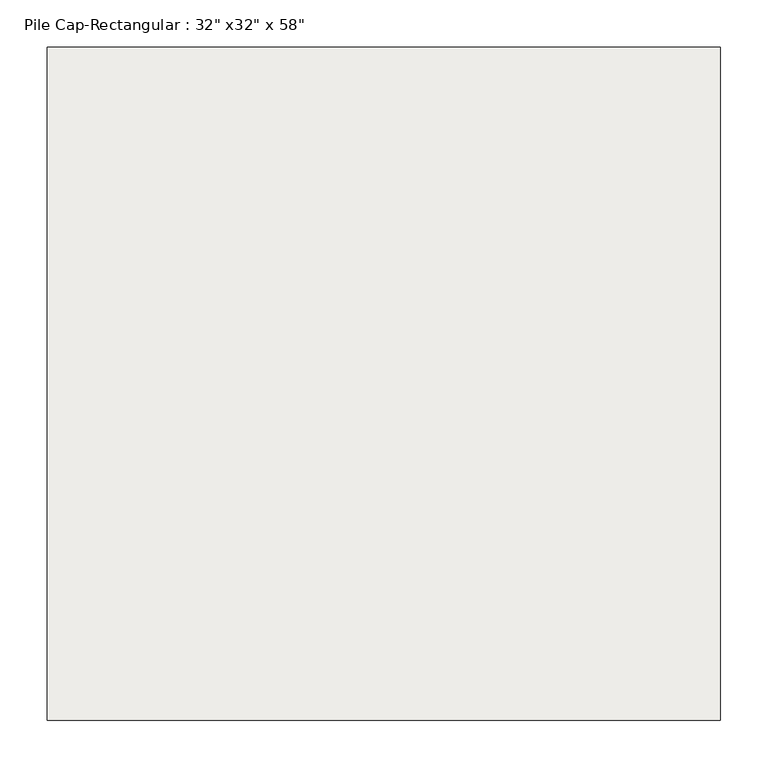
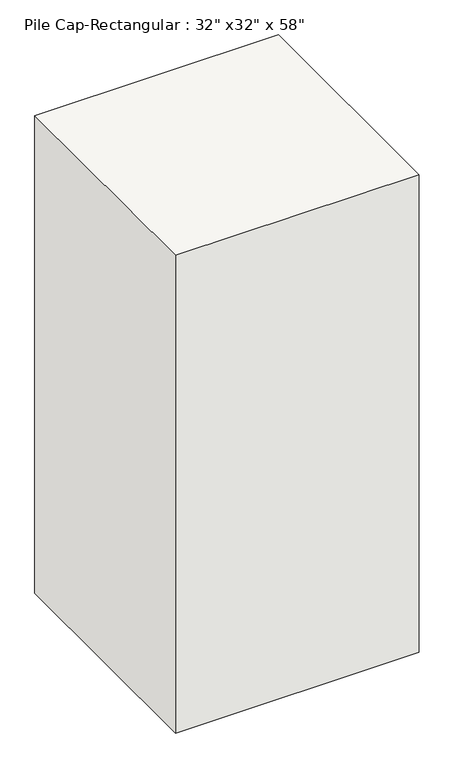
"""IFC4 building model written with IfcOpenShell, lengths in millimetres: slab geometry."""

import ifcopenshell
import ifcopenshell.guid

model = None  # the IFC model being written
_history = None  # IfcOwnerHistory: only IFC2X3 demands one
_inside = {}  # id of a spatial element -> (the spatial element, [elements in it])
_under = {}  # id of a project, library or spatial element -> (it, [spatial elements below it])
_declared = {}  # id of a project -> (the project, [libraries it declares])
_typed = {}  # id of a type object -> (the type object, [elements of that type])
_made_of = {}  # id of a material, layer set ... -> (it, [elements and type objects made of it])


def new_model(schema):
    """Start an empty IFC model of exactly this schema.

    Asked for "IFC4X3", IfcOpenShell would pick the latest addendum, in which some entities
    have other attributes; the version numbers below select the first issue.
    IFC2X3 requires an IfcOwnerHistory on every rooted entity: one is made here for all.
    """
    global model, _history
    if schema == "IFC4X3":
        model = ifcopenshell.file(schema_version=(4, 3, 0, 0))
    else:
        model = ifcopenshell.file(schema=schema)
    _inside.clear()
    _under.clear()
    _declared.clear()
    _typed.clear()
    _made_of.clear()
    _history = None
    if model.schema == "IFC2X3":
        org = make("IfcOrganization", Name="unknown")
        user = make(
            "IfcPersonAndOrganization",
            ThePerson=make("IfcPerson", FamilyName="unknown"),
            TheOrganization=org,
        )
        app = make(
            "IfcApplication",
            ApplicationDeveloper=org,
            Version="unknown",
            ApplicationFullName="unknown",
            ApplicationIdentifier="unknown",
        )
        _history = make(
            "IfcOwnerHistory",
            OwningUser=user,
            OwningApplication=app,
            ChangeAction="ADDED",
            CreationDate=0,
        )
    return model


def make(cls, **values):
    """One entity of the class cls with the attributes given. An attribute that is None is left unset."""
    return model.create_entity(
        cls, **{name: value for name, value in values.items() if value is not None}
    )


def rooted(cls, **values):
    """An entity with a GlobalId (a new one), such as an element, a storey or a relation."""
    return make(cls, GlobalId=ifcopenshell.guid.new(), OwnerHistory=_history, **values)


def si_unit(unit_type, name, prefix=None):
    """IfcSIUnit, for example si_unit("LENGTHUNIT", "METRE", prefix="MILLI")."""
    return make("IfcSIUnit", UnitType=unit_type, Prefix=prefix, Name=name)


def assignment(units):
    """IfcUnitAssignment: the units of a project."""
    return None if units is None else make("IfcUnitAssignment", Units=units)


def point(xyz):
    """IfcCartesianPoint."""
    return None if xyz is None else make("IfcCartesianPoint", Coordinates=xyz)


def direction(xyz):
    """IfcDirection."""
    return None if xyz is None else make("IfcDirection", DirectionRatios=xyz)


def frame(location, z_axis=None, x_axis=None):
    """IfcAxis2Placement3D, a coordinate frame: its origin and axes. An axis left out is left unset."""
    return make(
        "IfcAxis2Placement3D",
        Location=point(location),
        Axis=direction(z_axis),
        RefDirection=direction(x_axis),
    )


def origin():
    """The frame at (0, 0, 0) with its axes left unset."""
    return frame((0.0, 0.0, 0.0))


def place(relative_to, where):
    """IfcLocalPlacement: puts the frame where relative to a parent placement (None: the world)."""
    return make(
        "IfcLocalPlacement", PlacementRelTo=relative_to, RelativePlacement=where
    )


def context(
    kind, dimensions, precision=None, world=None, true_north=None, identifier=None
):
    """IfcGeometricRepresentationContext, for example the 3D "Model" context."""
    return make(
        "IfcGeometricRepresentationContext",
        ContextIdentifier=identifier,
        ContextType=kind,
        CoordinateSpaceDimension=dimensions,
        Precision=precision,
        WorldCoordinateSystem=world,
        TrueNorth=true_north,
    )


def project(units=None, contexts=None):
    """IfcProject with its units and contexts."""
    return rooted(
        "IfcProject",
        Name="project",
        RepresentationContexts=contexts,
        UnitsInContext=assignment(units),
    )


def spatial(cls, under=None, at=None, **own):
    """A site, building, storey or space (cls), placed at a placement, below another one or the project."""
    s = rooted(cls, ObjectPlacement=at, **own)
    if under is not None:
        _under.setdefault(under.id(), (under, []))[1].append(s)
    return s


def polyline(points):
    """IfcPolyline through the points."""
    return make("IfcPolyline", Points=[point(p) for p in points])


def outline(outer, holes=None, kind="AREA"):
    """IfcArbitraryClosedProfileDef: a profile drawn as a closed curve; with holes, ...WithVoids."""
    if holes is None:
        return make("IfcArbitraryClosedProfileDef", ProfileType=kind, OuterCurve=outer)
    return make(
        "IfcArbitraryProfileDefWithVoids",
        ProfileType=kind,
        OuterCurve=outer,
        InnerCurves=holes,
    )


def extrude(swept, where, along, depth):
    """IfcExtrudedAreaSolid: the profile swept, set in the frame where, extruded along a direction by depth."""
    return make(
        "IfcExtrudedAreaSolid",
        SweptArea=swept,
        Position=where,
        ExtrudedDirection=direction(along),
        Depth=depth,
    )


def shape(context_of_items, identifier, shape_type, items):
    """IfcShapeRepresentation: the items that make up one representation, for example the "Body"."""
    return make(
        "IfcShapeRepresentation",
        ContextOfItems=context_of_items,
        RepresentationIdentifier=identifier,
        RepresentationType=shape_type,
        Items=items,
    )


def source(mapping_origin, context_of_items, identifier, shape_type, items):
    """IfcRepresentationMap: a shape defined once, which mapped items show again and again."""
    return make(
        "IfcRepresentationMap",
        MappingOrigin=mapping_origin,
        MappedRepresentation=shape(context_of_items, identifier, shape_type, items),
    )


def transform(
    local_origin,
    x_axis=None,
    y_axis=None,
    z_axis=None,
    scale=None,
    scale2=None,
    scale3=None,
    uniform=True,
):
    """IfcCartesianTransformationOperator3D, or its non-uniform kind. x_axis, y_axis, z_axis: its Axis1, 2, 3."""
    if uniform:
        return make(
            "IfcCartesianTransformationOperator3D",
            Axis1=direction(x_axis),
            Axis2=direction(y_axis),
            LocalOrigin=point(local_origin),
            Scale=scale,
            Axis3=direction(z_axis),
        )
    return make(
        "IfcCartesianTransformationOperator3DnonUniform",
        Axis1=direction(x_axis),
        Axis2=direction(y_axis),
        LocalOrigin=point(local_origin),
        Scale=scale,
        Axis3=direction(z_axis),
        Scale2=scale2,
        Scale3=scale3,
    )


def mapped(mapping_source, mapping_target):
    """IfcMappedItem: shows the shape of a source again, moved by a transform."""
    return make(
        "IfcMappedItem", MappingSource=mapping_source, MappingTarget=mapping_target
    )


def made_of(thing, what):
    """Note that an element or type object is made of a material, layer set ...; save() writes the relation."""
    if what is not None:
        _made_of.setdefault(what.id(), (what, []))[1].append(thing)
    return thing


def element(
    cls,
    number,
    at=None,
    inside=None,
    cuts=None,
    type_object=None,
    material=None,
    context=None,
    identifier="Body",
    shape_type=None,
    held_by="IfcProductDefinitionShape",
    body=None,
    shapes=None,
    **own,
):
    """One element of the class cls, such as IfcWall. Its Tag is "e" and its number.

    at: its placement. inside: the storey or other place that contains it. cuts: it is an
    opening in that element (IfcRelVoidsElement). A single representation is given by context,
    identifier, shape_type and body (its items); several are given by shapes. held_by: the class
    of the entity that holds the representations. save() writes the other relations.
    """
    e = rooted(cls, Tag="e%d" % number, ObjectPlacement=at, **own)
    if body is not None:
        shapes = [shape(context, identifier, shape_type, body)]
    if shapes is not None:
        e.Representation = make(held_by, Representations=shapes)
    if inside is not None:
        _inside.setdefault(inside.id(), (inside, []))[1].append(e)
    if cuts is not None:
        rooted(
            "IfcRelVoidsElement", RelatingBuildingElement=cuts, RelatedOpeningElement=e
        )
    if type_object is not None:
        _typed.setdefault(type_object.id(), (type_object, []))[1].append(e)
    return made_of(e, material)


def aggregate(whole, parts):
    """IfcRelAggregates: a whole, such as a stair, and the parts it consists of."""
    return rooted("IfcRelAggregates", RelatingObject=whole, RelatedObjects=parts)


def save(model, path):
    """Write the relations noted so far, then the file.

    IfcRelAggregates (storeys below a building ...), IfcRelContainedInSpatialStructure (elements
    in a storey), IfcRelDefinesByType, IfcRelAssociatesMaterial and IfcRelDeclares: one each for
    every whole, place, type object, material and project.
    """
    for whole, parts in _under.values():
        aggregate(whole, parts)
    for where, things in _inside.values():
        rooted(
            "IfcRelContainedInSpatialStructure",
            RelatedElements=things,
            RelatingStructure=where,
        )
    for kind, things in _typed.values():
        rooted("IfcRelDefinesByType", RelatedObjects=things, RelatingType=kind)
    for what, things in _made_of.values():
        rooted("IfcRelAssociatesMaterial", RelatedObjects=things, RelatingMaterial=what)
    for by, libraries in _declared.values():
        rooted("IfcRelDeclares", RelatingContext=by, RelatedDefinitions=libraries)
    model.write(path)


def slab_c37f0cdb(model_context):
    return source(origin(), model_context, "Body", "SweptSolid", [
        extrude(outline(polyline([(355.6, -355.6), (-355.6, -355.6), (-355.6, 355.6), (355.6, 355.6), (355.6, -355.6)])), frame((0.0, 0.0, -1473.2), z_axis=(0.0, 0.0, 1.0), x_axis=(1.0, 0.0, 0.0)), (0.0, 0.0, 1.0), 1473.2),
    ])


if __name__ == "__main__":
    model = new_model("IFC4")
    model_context = context("Model", 3, world=origin())
    ifc_project = project(units=[si_unit("LENGTHUNIT", "METRE", prefix="MILLI")], contexts=[model_context])
    site = spatial("IfcSite", under=ifc_project)
    building = spatial("IfcBuilding", under=site)
    placement = place(None, origin())
    slab_shape = slab_c37f0cdb(model_context)
    element("IfcSlab", 1, ObjectType="Pile Cap-Rectangular : 32\" x32\" x 58\"", at=placement, inside=building, context=model_context, shape_type="MappedRepresentation", body=[
        mapped(slab_shape, transform((0.0, 0.0, 0.0), x_axis=(1.0, 0.0, 0.0), y_axis=(0.0, 1.0, 0.0), z_axis=(0.0, 0.0, 1.0))),
    ])
    save(model, "model.ifc")
